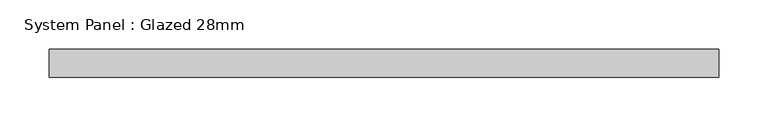
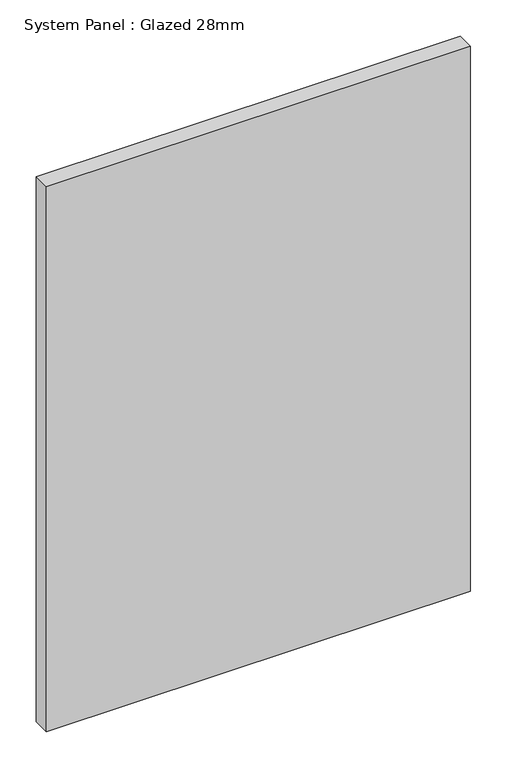
"""IFC4 building model written with IfcOpenShell, lengths in millimetres: plate geometry, System Panel : Glazed 28mm."""

from ifc_helpers import new_model, si_unit, origin, origin_with_axes, place, context, project, spatial, polyline, outline, extrude, source, transform, mapped, element, save


def system_panel_glazed_28mm_080f95b3(model_context):
    return source(origin(), model_context, "Body", "SweptSolid", [
        extrude(outline(polyline([(338.7808018, -14.0), (-338.7808018, -14.0), (-338.7808018, 14.0), (338.7808018, 14.0), (338.7808018, -14.0)])), origin_with_axes(), (0.0, 0.0, 1.0), 920.6623342),
    ])


if __name__ == "__main__":
    model = new_model("IFC4")
    model_context = context("Model", 3, world=origin())
    ifc_project = project(units=[si_unit("LENGTHUNIT", "METRE", prefix="MILLI")], contexts=[model_context])
    site = spatial("IfcSite", under=ifc_project)
    building = spatial("IfcBuilding", under=site)
    placement = place(None, origin())
    system_panel_glazed_28mm_shape = system_panel_glazed_28mm_080f95b3(model_context)
    element("IfcPlate", 1, ObjectType="System Panel : Glazed 28mm", at=placement, inside=building, context=model_context, shape_type="MappedRepresentation", body=[
        mapped(system_panel_glazed_28mm_shape, transform((0.0, 0.0, 0.0), x_axis=(1.0, 0.0, 0.0), y_axis=(0.0, 1.0, 0.0), z_axis=(0.0, 0.0, 1.0))),
    ])
    save(model, "model.ifc")
